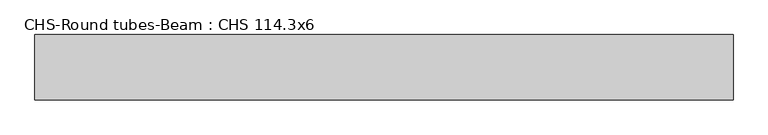
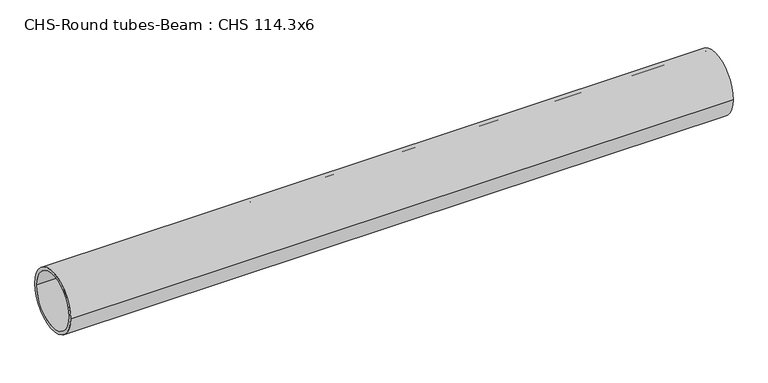
"""IFC4 building model written with IfcOpenShell, lengths in millimetres: beam geometry, CHS-Round tubes-Beam : CHS 114.3x6."""

from ifc_helpers import new_model, si_unit, point, frame, origin, origin_2d, place, context, project, spatial, circle_curve, trimmed, segment, composite_curve, outline, extrude, source, transform, mapped, element, save


def chs_round_tubes_beam_chs_114_3x6_9a76f40f(model_context):
    return source(origin(), model_context, "Body", "SweptSolid", [
        extrude(outline(composite_curve([segment(trimmed(circle_curve(origin_2d(), 57.15), [point((57.15, 0.0))], [point((-57.15, 0.0))], False, "CARTESIAN"), True, "CONTINUOUS"), segment(trimmed(circle_curve(origin_2d(), 57.15), [point((-57.15, 0.0))], [point((57.15, 0.0))], False, "CARTESIAN"), True, "CONTINUOUS")], self_intersect=False), holes=[composite_curve([segment(trimmed(circle_curve(origin_2d(), 51.15), [point((51.15, 0.0))], [point((-51.15, 0.0))], True, "CARTESIAN"), True, "CONTINUOUS"), segment(trimmed(circle_curve(origin_2d(), 51.15), [point((-51.15, 0.0))], [point((51.15, 0.0))], True, "CARTESIAN"), True, "CONTINUOUS")], self_intersect=False)]), frame((-638.1555205, 0.0, 0.0), z_axis=(1.0, 0.0, 0.0), x_axis=(0.0, 1.0, 0.0)), (0.0, 0.0, 1.0), 1223.9163048),
    ])


if __name__ == "__main__":
    model = new_model("IFC4")
    model_context = context("Model", 3, world=origin())
    ifc_project = project(units=[si_unit("LENGTHUNIT", "METRE", prefix="MILLI")], contexts=[model_context])
    site = spatial("IfcSite", under=ifc_project)
    building = spatial("IfcBuilding", under=site)
    placement = place(None, origin())
    chs_round_tubes_beam_chs_114_3x6_shape = chs_round_tubes_beam_chs_114_3x6_9a76f40f(model_context)
    element("IfcBeam", 1, ObjectType="CHS-Round tubes-Beam : CHS 114.3x6", at=placement, inside=building, context=model_context, shape_type="MappedRepresentation", body=[
        mapped(chs_round_tubes_beam_chs_114_3x6_shape, transform((0.0, 0.0, 0.0), x_axis=(1.0, 0.0, 0.0), y_axis=(0.0, 1.0, 0.0), z_axis=(0.0, 0.0, 1.0))),
    ])
    save(model, "model.ifc")
